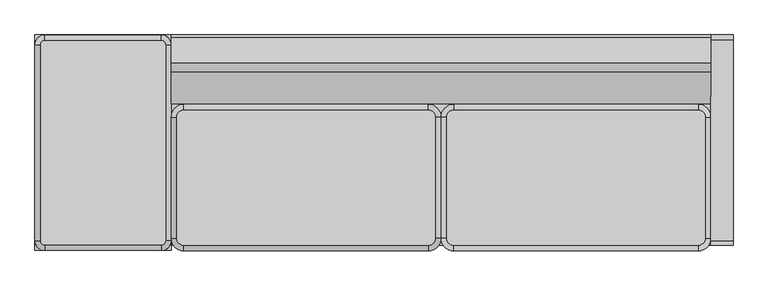
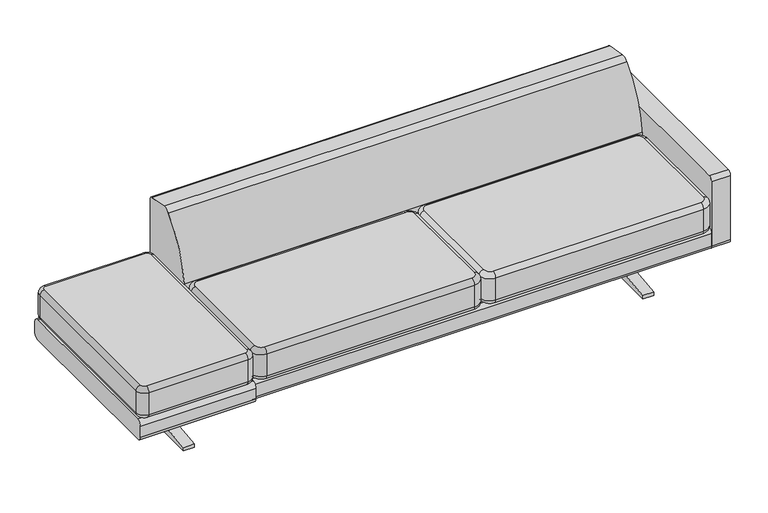
"""IFC4 building model written with IfcOpenShell, lengths in millimetres: furniture geometry."""

from ifc_helpers import new_model, si_unit, point, frame, frame_2d, origin, place, context, project, spatial, polyline, circle_curve, ellipse_curve, trimmed, segment, composite_curve, outline, extrude, source, transform, mapped, element, save
from ifc_brep_helpers import plane_surface, cylinder_surface, revolved_surface, advanced_brep


def furniture_da704d44(model_context):
    return source(origin(), model_context, "Body", "SolidModel", [
        extrude(outline(composite_curve([segment(polyline([(355.0969754, 0.0), (0.0, 0.0), (-355.0969754, 0.0), (-355.0969754, 16.2401822), (-121.6204743, 42.7918602)]), True, "CONTINUOUS"), segment(trimmed(circle_curve(frame_2d((-121.6204743, 71.7339548)), 28.9420946), [point((-121.6204743, 42.7918602))], [point((-92.6783797, 71.7339548))], True, "CARTESIAN"), True, "CONTINUOUS"), segment(polyline([(-92.6783797, 71.7339548), (-92.6783797, 136.8214548)]), True, "CONTINUOUS"), segment(trimmed(circle_curve(frame_2d((-121.6204743, 136.8214548)), 28.9420946), [point((-92.6783797, 136.8214548))], [point((-121.6204743, 165.7635494))], True, "CARTESIAN"), True, "CONTINUOUS"), segment(polyline([(-121.6204743, 165.7635494), (-171.499025, 165.7635494), (-171.499025, 178.564682), (-68.1000311, 178.564682), (-68.1000311, 70.7911959)]), True, "CONTINUOUS"), segment(trimmed(circle_curve(frame_2d((-39.1732953, 71.7339548)), 28.9420946), [point((-68.1000311, 70.7911959))], [point((-39.1732953, 42.7918602))], True, "CARTESIAN"), True, "CONTINUOUS"), segment(polyline([(-39.1732953, 42.7918602), (0.0, 42.7918602), (39.1732953, 42.7918602)]), True, "CONTINUOUS"), segment(trimmed(circle_curve(frame_2d((39.1732953, 71.7339548)), 28.9420946), [point((39.1732953, 42.7918602))], [point((68.1000311, 70.7911959))], True, "CARTESIAN"), True, "CONTINUOUS"), segment(polyline([(68.1000311, 70.7911959), (68.1000311, 178.564682), (171.499025, 178.564682), (171.499025, 165.7635494), (121.6204743, 165.7635494)]), True, "CONTINUOUS"), segment(trimmed(circle_curve(frame_2d((121.6204743, 136.8214548)), 28.9420946), [point((121.6204743, 165.7635494))], [point((92.6783797, 136.8214548))], True, "CARTESIAN"), True, "CONTINUOUS"), segment(polyline([(92.6783797, 136.8214548), (92.6783797, 71.7339548)]), True, "CONTINUOUS"), segment(trimmed(circle_curve(frame_2d((121.6204743, 71.7339548)), 28.9420946), [point((92.6783797, 71.7339548))], [point((121.6204743, 42.7918602))], True, "CARTESIAN"), True, "CONTINUOUS"), segment(polyline([(121.6204743, 42.7918602), (355.0969754, 16.2401822), (355.0969754, 0.0)]), True, "CONTINUOUS")], self_intersect=False)), frame((-1381.125, 0.0, 0.0), z_axis=(1.0, 0.0, 0.0), x_axis=(0.0, 1.0, 0.0)), (0.0, 0.0, 1.0), 50.8),
        extrude(outline(composite_curve([segment(polyline([(431.8, 255.5866716), (431.8, 201.4772538)]), True, "CONTINUOUS"), segment(trimmed(circle_curve(frame_2d((408.8874282, 201.4772538)), 22.9125718), [point((431.8, 201.4772538))], [point((408.8874282, 178.564682))], False, "CARTESIAN"), True, "CONTINUOUS"), segment(polyline([(408.8874282, 178.564682), (-408.8874282, 178.564682)]), True, "CONTINUOUS"), segment(trimmed(circle_curve(frame_2d((-408.8874282, 201.4772538)), 22.9125718), [point((-408.8874282, 178.564682))], [point((-431.8, 201.4772538))], False, "CARTESIAN"), True, "CONTINUOUS"), segment(polyline([(-431.8, 201.4772538), (-431.8, 255.5866716)]), True, "CONTINUOUS"), segment(trimmed(circle_curve(frame_2d((-408.8874282, 255.5866716)), 22.9125718), [point((-431.8, 255.5866716))], [point((-408.8874282, 278.4992435))], False, "CARTESIAN"), True, "CONTINUOUS"), segment(polyline([(-408.8874282, 278.4992435), (408.8874282, 278.4992435)]), True, "CONTINUOUS"), segment(trimmed(circle_curve(frame_2d((408.8874282, 255.5866716)), 22.9125718), [point((408.8874282, 278.4992435))], [point((431.8, 255.5866716))], False, "CARTESIAN"), True, "CONTINUOUS")], self_intersect=False)), frame((-1628.775, 0.0, 0.0), z_axis=(1.0, 0.0, 0.0), x_axis=(0.0, 1.0, 0.0)), (0.0, 0.0, 1.0), 546.1),
        advanced_brep(
        [(-1104.9123254, 392.2982568, 432.564682), (-1121.5014968, 408.8874282, 432.564682), (-1589.6640863, 408.8874282, 432.564682), (-1606.2532577, 392.2982568, 432.564682), (-1606.2532577, -393.6409654, 432.564682), (-1589.6640863, -410.2301368, 432.564682), (-1121.5014968, -410.2301368, 432.564682), (-1104.9123254, -393.6409654, 432.564682), (-1121.5014968, 408.8874282, 278.2017207), (-1104.9123254, 392.2982568, 278.2017207), (-1104.9123254, -393.6409654, 278.2017207), (-1121.5014968, -410.2301368, 278.2017207), (-1589.6640863, -410.2301368, 278.2017207), (-1606.2532577, -393.6409654, 278.2017207), (-1606.2532577, 392.2982568, 278.2017207), (-1589.6640863, 408.8874282, 278.2017207), (-1589.6640863, 408.8874282, 278.4992435), (-1121.5014968, 408.8874282, 278.4992435), (-1606.2532577, 392.2982568, 278.4992435), (-1606.2532577, -393.6409654, 278.4992435), (-1589.6640863, -410.2301368, 278.4992435), (-1121.5014968, -410.2301368, 278.4992435), (-1104.9123254, -393.6409654, 278.4992435), (-1104.9123254, 392.2982568, 278.4992435), (-1121.5014968, 431.3380685, 300.9498838), (-1082.4616851, 392.2982568, 300.9498838), (-1121.5014968, 431.3380685, 410.1140417), (-1082.4616851, 392.2982568, 410.1140417), (-1589.6640863, 431.3380685, 300.9498838), (-1589.6640863, 431.3380685, 410.1140417), (-1628.703898, 392.2982568, 300.9498838), (-1628.703898, 392.2982568, 410.1140417), (-1628.703898, -393.6409654, 300.9498838), (-1628.703898, -393.6409654, 410.1140417), (-1589.6640863, -432.6807771, 300.9498838), (-1589.6640863, -432.6807771, 410.1140417), (-1121.5014968, -432.6807771, 300.9498838), (-1121.5014968, -432.6807771, 410.1140417), (-1082.4616851, -393.6409654, 300.9498838), (-1082.4616851, -393.6409654, 410.1140417)],
        [
            (0, 1, circle_curve(frame((-1121.5014968, 392.2982568, 432.564682), z_axis=(0.0, 0.0, 1.0), x_axis=(1.0, 0.0, 0.0)), 16.5891714)),
            (1, 2),
            (2, 3, circle_curve(frame((-1589.6640863, 392.2982568, 432.564682), z_axis=(0.0, 0.0, 1.0), x_axis=(0.0, 1.0, 0.0)), 16.5891714)),
            (3, 4),
            (4, 5, circle_curve(frame((-1589.6640863, -393.6409654, 432.564682), z_axis=(0.0, 0.0, 1.0), x_axis=(-1.0, 0.0, 0.0)), 16.5891714)),
            (5, 6),
            (6, 7, circle_curve(frame((-1121.5014968, -393.6409654, 432.564682), z_axis=(0.0, 0.0, 1.0), x_axis=(0.0, -1.0, 0.0)), 16.5891714)),
            (7, 0),
            (8, 9, circle_curve(frame((-1121.5014968, 392.2982568, 278.2017207), z_axis=(0.0, 0.0, -1.0), x_axis=(1.0, 0.0, 0.0)), 16.5891714)),
            (9, 10),
            (10, 11, circle_curve(frame((-1121.5014968, -393.6409654, 278.2017207), z_axis=(0.0, 0.0, -1.0), x_axis=(1.0, 0.0, 0.0)), 16.5891714)),
            (11, 12),
            (12, 13, circle_curve(frame((-1589.6640863, -393.6409654, 278.2017207), z_axis=(0.0, 0.0, -1.0), x_axis=(1.0, 0.0, 0.0)), 16.5891714)),
            (13, 14),
            (14, 15, circle_curve(frame((-1589.6640863, 392.2982568, 278.2017207), z_axis=(0.0, 0.0, -1.0), x_axis=(1.0, 0.0, 0.0)), 16.5891714)),
            (15, 8),
            (15, 16),
            (16, 17),
            (17, 8),
            (14, 18),
            (18, 16, circle_curve(frame((-1589.6640863, 392.2982568, 278.4992435), z_axis=(0.0, 0.0, -1.0), x_axis=(1.0, 0.0, 0.0)), 16.5891714)),
            (13, 19),
            (19, 18),
            (12, 20),
            (20, 19, circle_curve(frame((-1589.6640863, -393.6409654, 278.4992435), z_axis=(0.0, 0.0, -1.0), x_axis=(1.0, 0.0, 0.0)), 16.5891714)),
            (11, 21),
            (21, 20),
            (10, 22),
            (22, 21, circle_curve(frame((-1121.5014968, -393.6409654, 278.4992435), z_axis=(0.0, 0.0, -1.0), x_axis=(1.0, 0.0, 0.0)), 16.5891714)),
            (9, 23),
            (23, 22),
            (17, 23, circle_curve(frame((-1121.5014968, 392.2982568, 278.4992435), z_axis=(0.0, 0.0, -1.0), x_axis=(1.0, 0.0, 0.0)), 16.5891714)),
            (24, 25, circle_curve(frame((-1121.5014968, 392.2982568, 300.9498838), z_axis=(0.0, 0.0, -1.0), x_axis=(1.0, 0.0, 0.0)), 39.0398117)),
            (25, 23, circle_curve(frame((-1104.9123254, 392.2982568, 300.9498838), z_axis=(0.0, 1.0, 0.0), x_axis=(-1.0, 0.0, 0.0)), 22.4506403)),
            (17, 24, circle_curve(frame((-1121.5014968, 408.8874282, 300.9498838), z_axis=(1.0, 0.0, 0.0), x_axis=(0.0, -1.0, 0.0)), 22.4506403)),
            (24, 26),
            (26, 27, circle_curve(frame((-1121.5014968, 392.2982568, 410.1140417), z_axis=(0.0, 0.0, -1.0), x_axis=(1.0, 0.0, 0.0)), 39.0398117)),
            (27, 25),
            (26, 1, circle_curve(frame((-1121.5014968, 408.8874282, 410.1140417), z_axis=(1.0, 0.0, 0.0), x_axis=(0.0, -1.0, 0.0)), 22.4506403)),
            (0, 27, circle_curve(frame((-1104.9123254, 392.2982568, 410.1140417), z_axis=(0.0, 1.0, 0.0), x_axis=(-1.0, 0.0, 0.0)), 22.4506403)),
            (16, 28, circle_curve(frame((-1589.6640863, 408.8874282, 300.9498838), z_axis=(1.0, 0.0, 0.0), x_axis=(0.0, -1.0, 0.0)), 22.4506403)),
            (28, 24),
            (28, 29),
            (29, 26),
            (29, 2, circle_curve(frame((-1589.6640863, 408.8874282, 410.1140417), z_axis=(1.0, 0.0, 0.0), x_axis=(0.0, -1.0, 0.0)), 22.4506403)),
            (18, 30, circle_curve(frame((-1606.2532577, 392.2982568, 300.9498838), z_axis=(0.0, 1.0, 0.0), x_axis=(1.0, 0.0, 0.0)), 22.4506403)),
            (30, 28, circle_curve(frame((-1589.6640863, 392.2982568, 300.9498838), z_axis=(0.0, 0.0, -1.0), x_axis=(0.0, 1.0, 0.0)), 39.0398117)),
            (30, 31),
            (31, 29, circle_curve(frame((-1589.6640863, 392.2982568, 410.1140417), z_axis=(0.0, 0.0, -1.0), x_axis=(0.0, 1.0, 0.0)), 39.0398117)),
            (31, 3, circle_curve(frame((-1606.2532577, 392.2982568, 410.1140417), z_axis=(0.0, 1.0, 0.0), x_axis=(1.0, 0.0, 0.0)), 22.4506403)),
            (19, 32, circle_curve(frame((-1606.2532577, -393.6409654, 300.9498838), z_axis=(0.0, 1.0, 0.0), x_axis=(1.0, 0.0, 0.0)), 22.4506403)),
            (32, 30),
            (32, 33),
            (33, 31),
            (33, 4, circle_curve(frame((-1606.2532577, -393.6409654, 410.1140417), z_axis=(0.0, 1.0, 0.0), x_axis=(1.0, 0.0, 0.0)), 22.4506403)),
            (20, 34, circle_curve(frame((-1589.6640863, -410.2301368, 300.9498838), z_axis=(-1.0, 0.0, 0.0), x_axis=(0.0, 1.0, 0.0)), 22.4506403)),
            (34, 32, circle_curve(frame((-1589.6640863, -393.6409654, 300.9498838), z_axis=(0.0, 0.0, -1.0), x_axis=(-1.0, 0.0, 0.0)), 39.0398117)),
            (34, 35),
            (35, 33, circle_curve(frame((-1589.6640863, -393.6409654, 410.1140417), z_axis=(0.0, 0.0, -1.0), x_axis=(-1.0, 0.0, 0.0)), 39.0398117)),
            (35, 5, circle_curve(frame((-1589.6640863, -410.2301368, 410.1140417), z_axis=(-1.0, 0.0, 0.0), x_axis=(0.0, 1.0, 0.0)), 22.4506403)),
            (21, 36, circle_curve(frame((-1121.5014968, -410.2301368, 300.9498838), z_axis=(-1.0, 0.0, 0.0), x_axis=(0.0, 1.0, 0.0)), 22.4506403)),
            (36, 34),
            (36, 37),
            (37, 35),
            (37, 6, circle_curve(frame((-1121.5014968, -410.2301368, 410.1140417), z_axis=(-1.0, 0.0, 0.0), x_axis=(0.0, 1.0, 0.0)), 22.4506403)),
            (22, 38, circle_curve(frame((-1104.9123254, -393.6409654, 300.9498838), z_axis=(0.0, -1.0, 0.0), x_axis=(-1.0, 0.0, 0.0)), 22.4506403)),
            (38, 36, circle_curve(frame((-1121.5014968, -393.6409654, 300.9498838), z_axis=(0.0, 0.0, -1.0), x_axis=(0.0, -1.0, 0.0)), 39.0398117)),
            (38, 39),
            (39, 37, circle_curve(frame((-1121.5014968, -393.6409654, 410.1140417), z_axis=(0.0, 0.0, -1.0), x_axis=(0.0, -1.0, 0.0)), 39.0398117)),
            (39, 7, circle_curve(frame((-1104.9123254, -393.6409654, 410.1140417), z_axis=(0.0, -1.0, 0.0), x_axis=(-1.0, 0.0, 0.0)), 22.4506403)),
            (25, 38),
            (27, 39),
        ],
        [
            plane_surface(frame((-1589.6640863, 408.8874282, 432.564682), z_axis=(0.0, 0.0, 1.0), x_axis=(-1.0, 0.0, 0.0))),
            plane_surface(frame((-1589.6640863, 408.8874282, 278.2017207), z_axis=(0.0, 0.0, -1.0), x_axis=(1.0, 0.0, 0.0))),
            plane_surface(frame((-1121.5014968, 408.8874282, 432.564682), z_axis=(0.0, 1.0, 0.0), x_axis=(0.0, 0.0, -1.0))),
            cylinder_surface(frame((-1589.6640863, 392.2982568, 278.2017207), z_axis=(0.0, 0.0, 1.0), x_axis=(1.0, 0.0, 0.0)), 16.5891714),
            plane_surface(frame((-1606.2532577, 392.2982568, 432.564682), z_axis=(-1.0, 0.0, 0.0), x_axis=(0.0, 0.0, -1.0))),
            cylinder_surface(frame((-1589.6640863, -393.6409654, 278.2017207), z_axis=(0.0, 0.0, 1.0), x_axis=(1.0, 0.0, 0.0)), 16.5891714),
            plane_surface(frame((-1589.6640863, -410.2301368, 432.564682), z_axis=(0.0, -1.0, 0.0), x_axis=(0.0, 0.0, -1.0))),
            cylinder_surface(frame((-1121.5014968, -393.6409654, 278.2017207), z_axis=(0.0, 0.0, 1.0), x_axis=(1.0, 0.0, 0.0)), 16.5891714),
            plane_surface(frame((-1104.9123254, -393.6409654, 432.564682), z_axis=(1.0, 0.0, 0.0), x_axis=(0.0, 0.0, -1.0))),
            cylinder_surface(frame((-1121.5014968, 392.2982568, 278.2017207), z_axis=(0.0, 0.0, 1.0), x_axis=(1.0, 0.0, 0.0)), 16.5891714),
            revolved_surface(trimmed(ellipse_curve(frame((-1104.9123254, 392.2982568, 300.9498838), z_axis=(0.0, -1.0, 0.0), x_axis=(-1.0, 0.0, 0.0)), 22.4506403, 22.4506403), [point((-1104.9123254, 392.2982568, 278.4992435))], [point((-1082.4616851, 392.2982568, 300.9498838))], True, "CARTESIAN"), (-1121.5014968, 392.2982568, 432.564682), (0.0, 0.0, 1.0)),
            cylinder_surface(frame((-1121.5014968, 392.2982568, 432.564682), z_axis=(0.0, 0.0, 1.0), x_axis=(1.0, 0.0, 0.0)), 39.0398117),
            revolved_surface(trimmed(ellipse_curve(frame((-1104.9123254, 392.2982568, 410.1140417), z_axis=(0.0, -1.0, 0.0), x_axis=(-1.0, 0.0, 0.0)), 22.4506403, 22.4506403), [point((-1082.4616851, 392.2982568, 410.1140417))], [point((-1104.9123254, 392.2982568, 432.564682))], True, "CARTESIAN"), (-1121.5014968, 392.2982568, 432.564682), (0.0, 0.0, 1.0)),
            cylinder_surface(frame((-1121.5014968, 408.8874282, 300.9498838), z_axis=(1.0, 0.0, 0.0), x_axis=(0.0, -1.0, 0.0)), 22.4506403),
            plane_surface(frame((-1121.5014968, 431.3380685, 300.9498838), z_axis=(0.0, 1.0, 0.0), x_axis=(-1.0, 0.0, 0.0))),
            cylinder_surface(frame((-1121.5014968, 408.8874282, 410.1140417), z_axis=(1.0, 0.0, 0.0), x_axis=(0.0, -1.0, 0.0)), 22.4506403),
            revolved_surface(trimmed(ellipse_curve(frame((-1589.6640863, 408.8874282, 300.9498838), z_axis=(1.0, 0.0, 0.0), x_axis=(0.0, -1.0, 0.0)), 22.4506403, 22.4506403), [point((-1589.6640863, 408.8874282, 278.4992435))], [point((-1589.6640863, 431.3380685, 300.9498838))], True, "CARTESIAN"), (-1589.6640863, 392.2982568, 432.564682), (0.0, 0.0, 1.0)),
            cylinder_surface(frame((-1589.6640863, 392.2982568, 432.564682), z_axis=(0.0, 0.0, 1.0), x_axis=(0.0, 1.0, 0.0)), 39.0398117),
            revolved_surface(trimmed(ellipse_curve(frame((-1589.6640863, 408.8874282, 410.1140417), z_axis=(1.0, 0.0, 0.0), x_axis=(0.0, -1.0, 0.0)), 22.4506403, 22.4506403), [point((-1589.6640863, 431.3380685, 410.1140417))], [point((-1589.6640863, 408.8874282, 432.564682))], True, "CARTESIAN"), (-1589.6640863, 392.2982568, 432.564682), (0.0, 0.0, 1.0)),
            cylinder_surface(frame((-1606.2532577, 392.2982568, 300.9498838), z_axis=(0.0, 1.0, 0.0), x_axis=(1.0, 0.0, 0.0)), 22.4506403),
            plane_surface(frame((-1628.703898, 392.2982568, 300.9498838), z_axis=(-1.0, 0.0, 0.0), x_axis=(0.0, -1.0, 0.0))),
            cylinder_surface(frame((-1606.2532577, 392.2982568, 410.1140417), z_axis=(0.0, 1.0, 0.0), x_axis=(1.0, 0.0, 0.0)), 22.4506403),
            revolved_surface(trimmed(ellipse_curve(frame((-1606.2532577, -393.6409654, 300.9498838), z_axis=(0.0, 1.0, 0.0), x_axis=(1.0, 0.0, 0.0)), 22.4506403, 22.4506403), [point((-1606.2532577, -393.6409654, 278.4992435))], [point((-1628.703898, -393.6409654, 300.9498838))], True, "CARTESIAN"), (-1589.6640863, -393.6409654, 432.564682), (0.0, 0.0, 1.0)),
            cylinder_surface(frame((-1589.6640863, -393.6409654, 432.564682), z_axis=(0.0, 0.0, 1.0), x_axis=(-1.0, 0.0, 0.0)), 39.0398117),
            revolved_surface(trimmed(ellipse_curve(frame((-1606.2532577, -393.6409654, 410.1140417), z_axis=(0.0, 1.0, 0.0), x_axis=(1.0, 0.0, 0.0)), 22.4506403, 22.4506403), [point((-1628.703898, -393.6409654, 410.1140417))], [point((-1606.2532577, -393.6409654, 432.564682))], True, "CARTESIAN"), (-1589.6640863, -393.6409654, 432.564682), (0.0, 0.0, 1.0)),
            cylinder_surface(frame((-1589.6640863, -410.2301368, 300.9498838), z_axis=(-1.0, 0.0, 0.0), x_axis=(0.0, 1.0, 0.0)), 22.4506403),
            plane_surface(frame((-1589.6640863, -432.6807771, 300.9498838), z_axis=(0.0, -1.0, 0.0), x_axis=(1.0, 0.0, 0.0))),
            cylinder_surface(frame((-1589.6640863, -410.2301368, 410.1140417), z_axis=(-1.0, 0.0, 0.0), x_axis=(0.0, 1.0, 0.0)), 22.4506403),
            revolved_surface(trimmed(ellipse_curve(frame((-1121.5014968, -410.2301368, 300.9498838), z_axis=(-1.0, 0.0, 0.0), x_axis=(0.0, 1.0, 0.0)), 22.4506403, 22.4506403), [point((-1121.5014968, -410.2301368, 278.4992435))], [point((-1121.5014968, -432.6807771, 300.9498838))], True, "CARTESIAN"), (-1121.5014968, -393.6409654, 432.564682), (0.0, 0.0, 1.0)),
            cylinder_surface(frame((-1121.5014968, -393.6409654, 432.564682), z_axis=(0.0, 0.0, 1.0), x_axis=(0.0, -1.0, 0.0)), 39.0398117),
            revolved_surface(trimmed(ellipse_curve(frame((-1121.5014968, -410.2301368, 410.1140417), z_axis=(-1.0, 0.0, 0.0), x_axis=(0.0, 1.0, 0.0)), 22.4506403, 22.4506403), [point((-1121.5014968, -432.6807771, 410.1140417))], [point((-1121.5014968, -410.2301368, 432.564682))], True, "CARTESIAN"), (-1121.5014968, -393.6409654, 432.564682), (0.0, 0.0, 1.0)),
            cylinder_surface(frame((-1104.9123254, -393.6409654, 300.9498838), z_axis=(0.0, -1.0, 0.0), x_axis=(-1.0, 0.0, 0.0)), 22.4506403),
            plane_surface(frame((-1082.4616851, -393.6409654, 300.9498838), z_axis=(1.0, 0.0, 0.0), x_axis=(0.0, 1.0, 0.0))),
            cylinder_surface(frame((-1104.9123254, -393.6409654, 410.1140417), z_axis=(0.0, -1.0, 0.0), x_axis=(-1.0, 0.0, 0.0)), 22.4506403),
        ],
        [
            (0, [[1, 2, 3, 4, 5, 6, 7, 8]]),
            (1, [[9, 10, 11, 12, 13, 14, 15, 16]]),
            (2, [[-16, 17, 18, 19]]),
            (3, [[-15, 20, 21, -17]]),
            (4, [[-14, 22, 23, -20]]),
            (5, [[-13, 24, 25, -22]]),
            (6, [[-12, 26, 27, -24]]),
            (7, [[-11, 28, 29, -26]]),
            (8, [[-10, 30, 31, -28]]),
            (9, [[-9, -19, 32, -30]]),
            (10, [[33, 34, -32, 35]]),
            (11, [[-33, 36, 37, 38]]),
            (12, [[-37, 39, -1, 40]]),
            (13, [[-35, -18, 41, 42]]),
            (14, [[-36, -42, 43, 44]]),
            (15, [[-39, -44, 45, -2]]),
            (16, [[-41, -21, 46, 47]]),
            (17, [[-43, -47, 48, 49]]),
            (18, [[-45, -49, 50, -3]]),
            (19, [[-46, -23, 51, 52]]),
            (20, [[-48, -52, 53, 54]]),
            (21, [[-50, -54, 55, -4]]),
            (22, [[-51, -25, 56, 57]]),
            (23, [[-53, -57, 58, 59]]),
            (24, [[-55, -59, 60, -5]]),
            (25, [[-56, -27, 61, 62]]),
            (26, [[-58, -62, 63, 64]]),
            (27, [[-60, -64, 65, -6]]),
            (28, [[-61, -29, 66, 67]]),
            (29, [[-63, -67, 68, 69]]),
            (30, [[-65, -69, 70, -7]]),
            (31, [[-34, 71, -66, -31]]),
            (32, [[-38, 72, -68, -71]]),
            (33, [[-40, -8, -70, -72]]),
        ],
    ),
        extrude(outline(composite_curve([segment(polyline([(355.0969754, 0.0), (0.0, 0.0), (-355.0969754, 0.0), (-355.0969754, 16.2401822), (-121.6204743, 42.7918602)]), True, "CONTINUOUS"), segment(trimmed(circle_curve(frame_2d((-121.6204743, 71.7339548)), 28.9420946), [point((-121.6204743, 42.7918602))], [point((-92.6783797, 71.7339548))], True, "CARTESIAN"), True, "CONTINUOUS"), segment(polyline([(-92.6783797, 71.7339548), (-92.6783797, 136.8214548)]), True, "CONTINUOUS"), segment(trimmed(circle_curve(frame_2d((-121.6204743, 136.8214548)), 28.9420946), [point((-92.6783797, 136.8214548))], [point((-121.6204743, 165.7635494))], True, "CARTESIAN"), True, "CONTINUOUS"), segment(polyline([(-121.6204743, 165.7635494), (-171.499025, 165.7635494), (-171.499025, 178.564682), (-68.1000311, 178.564682), (-68.1000311, 70.7911959)]), True, "CONTINUOUS"), segment(trimmed(circle_curve(frame_2d((-39.1732953, 71.7339548)), 28.9420946), [point((-68.1000311, 70.7911959))], [point((-39.1732953, 42.7918602))], True, "CARTESIAN"), True, "CONTINUOUS"), segment(polyline([(-39.1732953, 42.7918602), (0.0, 42.7918602), (39.1732953, 42.7918602)]), True, "CONTINUOUS"), segment(trimmed(circle_curve(frame_2d((39.1732953, 71.7339548)), 28.9420946), [point((39.1732953, 42.7918602))], [point((68.1000311, 70.7911959))], True, "CARTESIAN"), True, "CONTINUOUS"), segment(polyline([(68.1000311, 70.7911959), (68.1000311, 178.564682), (171.499025, 178.564682), (171.499025, 165.7635494), (121.6204743, 165.7635494)]), True, "CONTINUOUS"), segment(trimmed(circle_curve(frame_2d((121.6204743, 136.8214548)), 28.9420946), [point((121.6204743, 165.7635494))], [point((92.6783797, 136.8214548))], True, "CARTESIAN"), True, "CONTINUOUS"), segment(polyline([(92.6783797, 136.8214548), (92.6783797, 71.7339548)]), True, "CONTINUOUS"), segment(trimmed(circle_curve(frame_2d((121.6204743, 71.7339548)), 28.9420946), [point((92.6783797, 71.7339548))], [point((121.6204743, 42.7918602))], True, "CARTESIAN"), True, "CONTINUOUS"), segment(polyline([(121.6204743, 42.7918602), (355.0969754, 16.2401822), (355.0969754, 0.0)]), True, "CONTINUOUS")], self_intersect=False)), frame((790.575, 0.0, 0.0), z_axis=(1.0, 0.0, 0.0), x_axis=(0.0, 1.0, 0.0)), (0.0, 0.0, 1.0), 50.8),
        advanced_brep(
        [(-50.8266069, -411.5334579, 278.4992435), (-1031.4754884, -411.5334579, 278.4992435), (-1059.8495624, -383.1593839, 278.4992435), (-1059.8495624, 102.2194566, 278.4992435), (-1031.4754884, 130.5935359, 278.4992435), (-50.8266069, 130.5935359, 278.4992435), (-22.4525329, 102.2194619, 278.4992435), (-22.4525329, -383.1593785, 278.4992435), (-1031.4754884, -411.5334579, 432.564682), (-50.8266069, -411.5334579, 432.564682), (-22.4525329, -383.1593839, 432.564682), (-22.4525329, 102.2194619, 432.564682), (-50.826619, 130.5935359, 432.564682), (-1031.4754884, 130.5935359, 432.564682), (-1059.8495624, 102.2194619, 432.564682), (-1059.8495624, -383.1593839, 432.564682), (-1031.4754884, -433.9840982, 300.9498838), (-50.8266069, -433.9840982, 300.9498838), (-50.8266069, -433.9840982, 410.1140417), (-1031.4754884, -433.9840982, 410.1140417), (-0.0018926, -383.1593839, 300.9498838), (-0.0018926, -383.1593839, 410.1140417), (-0.0018926, 102.2194619, 300.9498838), (-0.0018926, 102.2194619, 410.1140417), (-50.8266069, 153.0441762, 300.9498838), (-50.8266069, 153.0441762, 410.1140417), (-1031.4754884, 153.0441762, 300.9498838), (-1031.4754884, 153.0441762, 410.1140417), (-1082.3002027, 102.2194619, 300.9498838), (-1082.3002027, 102.2194619, 410.1140417), (-1082.3002027, -383.1593839, 300.9498838), (-1082.3002027, -383.1593839, 410.1140417)],
        [
            (0, 1),
            (1, 2, circle_curve(frame((-1031.4754884, -383.1593839, 278.4992435), z_axis=(0.0, 0.0, -1.0), x_axis=(-1.0, 0.0, 0.0)), 28.374074)),
            (2, 3),
            (3, 4, circle_curve(frame((-1031.4754884, 102.2194619, 278.4992435), z_axis=(0.0, 0.0, -1.0), x_axis=(0.0, 1.0, 0.0)), 28.374074)),
            (4, 5),
            (5, 6, circle_curve(frame((-50.8266069, 102.2194619, 278.4992435), z_axis=(0.0, 0.0, -1.0), x_axis=(1.0, 0.0, 0.0)), 28.374074)),
            (6, 7),
            (7, 0, circle_curve(frame((-50.8266069, -383.1593839, 278.4992435), z_axis=(0.0, 0.0, -1.0), x_axis=(0.0, -1.0, 0.0)), 28.374074)),
            (8, 9),
            (9, 10, circle_curve(frame((-50.8266069, -383.1593839, 432.564682), z_axis=(0.0, 0.0, 1.0), x_axis=(0.0, -1.0, 0.0)), 28.374074)),
            (10, 11),
            (11, 12, circle_curve(frame((-50.8266069, 102.2194619, 432.564682), z_axis=(0.0, 0.0, 1.0), x_axis=(1.0, 0.0, 0.0)), 28.374074)),
            (12, 13),
            (13, 14, circle_curve(frame((-1031.4754884, 102.2194619, 432.564682), z_axis=(0.0, 0.0, 1.0), x_axis=(0.0, 1.0, 0.0)), 28.374074)),
            (14, 15),
            (15, 8, circle_curve(frame((-1031.4754884, -383.1593839, 432.564682), z_axis=(0.0, 0.0, 1.0), x_axis=(-1.0, 0.0, 0.0)), 28.374074)),
            (16, 1, circle_curve(frame((-1031.4754884, -411.5334579, 300.9498838), z_axis=(1.0, 0.0, 0.0), x_axis=(0.0, 1.0, 0.0)), 22.4506403)),
            (0, 17, circle_curve(frame((-50.8266069, -411.5334579, 300.9498838), z_axis=(-1.0, 0.0, 0.0), x_axis=(0.0, 1.0, 0.0)), 22.4506403)),
            (17, 16),
            (17, 18),
            (18, 19),
            (19, 16),
            (18, 9, circle_curve(frame((-50.8266069, -411.5334579, 410.1140417), z_axis=(-1.0, 0.0, 0.0), x_axis=(0.0, 1.0, 0.0)), 22.4506403)),
            (8, 19, circle_curve(frame((-1031.4754884, -411.5334579, 410.1140417), z_axis=(1.0, 0.0, 0.0), x_axis=(0.0, 1.0, 0.0)), 22.4506403)),
            (7, 20, circle_curve(frame((-22.4525329, -383.1593839, 300.9498838), z_axis=(0.0, -1.0, 0.0), x_axis=(-1.0, 0.0, 0.0)), 22.4506403)),
            (20, 17, circle_curve(frame((-50.8266069, -383.1593839, 300.9498838), z_axis=(0.0, 0.0, -1.0), x_axis=(0.0, -1.0, 0.0)), 50.8247143)),
            (20, 21),
            (21, 18, circle_curve(frame((-50.8266069, -383.1593839, 410.1140417), z_axis=(0.0, 0.0, -1.0), x_axis=(0.0, -1.0, 0.0)), 50.8247143)),
            (21, 10, circle_curve(frame((-22.4525329, -383.1593839, 410.1140417), z_axis=(0.0, -1.0, 0.0), x_axis=(-1.0, 0.0, 0.0)), 22.4506403)),
            (6, 22, circle_curve(frame((-22.4525329, 102.2194619, 300.9498838), z_axis=(0.0, -1.0, 0.0), x_axis=(-1.0, 0.0, 0.0)), 22.4506403)),
            (22, 20),
            (22, 23),
            (23, 21),
            (23, 11, circle_curve(frame((-22.4525329, 102.2194619, 410.1140417), z_axis=(0.0, -1.0, 0.0), x_axis=(-1.0, 0.0, 0.0)), 22.4506403)),
            (5, 24, circle_curve(frame((-50.8266069, 130.5935359, 300.9498838), z_axis=(1.0, 0.0, 0.0), x_axis=(0.0, -1.0, 0.0)), 22.4506403)),
            (24, 22, circle_curve(frame((-50.8266069, 102.2194619, 300.9498838), z_axis=(0.0, 0.0, -1.0), x_axis=(1.0, 0.0, 0.0)), 50.8247143)),
            (24, 25),
            (25, 23, circle_curve(frame((-50.8266069, 102.2194619, 410.1140417), z_axis=(0.0, 0.0, -1.0), x_axis=(1.0, 0.0, 0.0)), 50.8247143)),
            (25, 12, circle_curve(frame((-50.8266069, 130.5935359, 410.1140417), z_axis=(1.0, 0.0, 0.0), x_axis=(0.0, -1.0, 0.0)), 22.4506403)),
            (4, 26, circle_curve(frame((-1031.4754884, 130.5935359, 300.9498838), z_axis=(1.0, 0.0, 0.0), x_axis=(0.0, -1.0, 0.0)), 22.4506403)),
            (26, 24),
            (26, 27),
            (27, 25),
            (27, 13, circle_curve(frame((-1031.4754884, 130.5935359, 410.1140417), z_axis=(1.0, 0.0, 0.0), x_axis=(0.0, -1.0, 0.0)), 22.4506403)),
            (3, 28, circle_curve(frame((-1059.8495624, 102.2194619, 300.9498838), z_axis=(0.0, 1.0, 0.0), x_axis=(1.0, 0.0, 0.0)), 22.4506403)),
            (28, 26, circle_curve(frame((-1031.4754884, 102.2194619, 300.9498838), z_axis=(0.0, 0.0, -1.0), x_axis=(0.0, 1.0, 0.0)), 50.8247143)),
            (28, 29),
            (29, 27, circle_curve(frame((-1031.4754884, 102.2194619, 410.1140417), z_axis=(0.0, 0.0, -1.0), x_axis=(0.0, 1.0, 0.0)), 50.8247143)),
            (29, 14, circle_curve(frame((-1059.8495624, 102.2194619, 410.1140417), z_axis=(0.0, 1.0, 0.0), x_axis=(1.0, 0.0, 0.0)), 22.4506403)),
            (2, 30, circle_curve(frame((-1059.8495624, -383.1593839, 300.9498838), z_axis=(0.0, 1.0, 0.0), x_axis=(1.0, 0.0, 0.0)), 22.4506403)),
            (30, 28),
            (30, 31),
            (31, 29),
            (31, 15, circle_curve(frame((-1059.8495624, -383.1593839, 410.1140417), z_axis=(0.0, 1.0, 0.0), x_axis=(1.0, 0.0, 0.0)), 22.4506403)),
            (16, 30, circle_curve(frame((-1031.4754884, -383.1593839, 300.9498838), z_axis=(0.0, 0.0, -1.0), x_axis=(-1.0, 0.0, 0.0)), 50.8247143)),
            (19, 31, circle_curve(frame((-1031.4754884, -383.1593839, 410.1140417), z_axis=(0.0, 0.0, -1.0), x_axis=(-1.0, 0.0, 0.0)), 50.8247143)),
        ],
        [
            plane_surface(frame((-1031.4754884, 130.5935359, 278.4992435), z_axis=(0.0, 0.0, -1.0), x_axis=(1.0, 0.0, 0.0))),
            plane_surface(frame((-1031.4754884, 130.5935359, 432.564682), z_axis=(0.0, 0.0, 1.0), x_axis=(-1.0, 0.0, 0.0))),
            cylinder_surface(frame((-1031.4754884, -411.5334579, 300.9498838), z_axis=(-1.0, 0.0, 0.0), x_axis=(0.0, 1.0, 0.0)), 22.4506403),
            plane_surface(frame((-1031.4754884, -433.9840982, 300.9498838), z_axis=(0.0, -1.0, 0.0), x_axis=(1.0, 0.0, 0.0))),
            cylinder_surface(frame((-1031.4754884, -411.5334579, 410.1140417), z_axis=(-1.0, 0.0, 0.0), x_axis=(0.0, 1.0, 0.0)), 22.4506403),
            revolved_surface(trimmed(ellipse_curve(frame((-50.8266069, -411.5334579, 300.9498838), z_axis=(-1.0, 0.0, 0.0), x_axis=(0.0, 1.0, 0.0)), 22.4506403, 22.4506403), [point((-50.8266069, -411.5334579, 278.4992435))], [point((-50.8266069, -433.9840982, 300.9498838))], True, "CARTESIAN"), (-50.8266069, -383.1593839, 432.564682), (0.0, 0.0, 1.0)),
            cylinder_surface(frame((-50.8266069, -383.1593839, 432.564682), z_axis=(0.0, 0.0, 1.0), x_axis=(0.0, -1.0, 0.0)), 50.8247143),
            revolved_surface(trimmed(ellipse_curve(frame((-50.8266069, -411.5334579, 410.1140417), z_axis=(-1.0, 0.0, 0.0), x_axis=(0.0, 1.0, 0.0)), 22.4506403, 22.4506403), [point((-50.8266069, -433.9840982, 410.1140417))], [point((-50.8266069, -411.5334579, 432.564682))], True, "CARTESIAN"), (-50.8266069, -383.1593839, 432.564682), (0.0, 0.0, 1.0)),
            cylinder_surface(frame((-22.4525329, -383.1593839, 300.9498838), z_axis=(0.0, -1.0, 0.0), x_axis=(-1.0, 0.0, 0.0)), 22.4506403),
            plane_surface(frame((-0.0018926, -383.1593839, 300.9498838), z_axis=(1.0, 0.0, 0.0), x_axis=(0.0, 1.0, 0.0))),
            cylinder_surface(frame((-22.4525329, -383.1593839, 410.1140417), z_axis=(0.0, -1.0, 0.0), x_axis=(-1.0, 0.0, 0.0)), 22.4506403),
            revolved_surface(trimmed(ellipse_curve(frame((-22.4525329, 102.2194619, 300.9498838), z_axis=(0.0, -1.0, 0.0), x_axis=(-1.0, 0.0, 0.0)), 22.4506403, 22.4506403), [point((-22.4525329, 102.2194619, 278.4992435))], [point((-0.0018926, 102.2194619, 300.9498838))], True, "CARTESIAN"), (-50.8266069, 102.2194619, 432.564682), (0.0, 0.0, 1.0)),
            cylinder_surface(frame((-50.8266069, 102.2194619, 432.564682), z_axis=(0.0, 0.0, 1.0), x_axis=(1.0, 0.0, 0.0)), 50.8247143),
            revolved_surface(trimmed(ellipse_curve(frame((-22.4525329, 102.2194619, 410.1140417), z_axis=(0.0, -1.0, 0.0), x_axis=(-1.0, 0.0, 0.0)), 22.4506403, 22.4506403), [point((-0.0018926, 102.2194619, 410.1140417))], [point((-22.4525329, 102.2194619, 432.564682))], True, "CARTESIAN"), (-50.8266069, 102.2194619, 432.564682), (0.0, 0.0, 1.0)),
            cylinder_surface(frame((-50.8266069, 130.5935359, 300.9498838), z_axis=(1.0, 0.0, 0.0), x_axis=(0.0, -1.0, 0.0)), 22.4506403),
            plane_surface(frame((-50.8266069, 153.0441762, 300.9498838), z_axis=(0.0, 1.0, 0.0), x_axis=(-1.0, 0.0, 0.0))),
            cylinder_surface(frame((-50.8266069, 130.5935359, 410.1140417), z_axis=(1.0, 0.0, 0.0), x_axis=(0.0, -1.0, 0.0)), 22.4506403),
            revolved_surface(trimmed(ellipse_curve(frame((-1031.4754884, 130.5935359, 300.9498838), z_axis=(1.0, 0.0, 0.0), x_axis=(0.0, -1.0, 0.0)), 22.4506403, 22.4506403), [point((-1031.4754884, 130.5935359, 278.4992435))], [point((-1031.4754884, 153.0441762, 300.9498838))], True, "CARTESIAN"), (-1031.4754884, 102.2194619, 432.564682), (0.0, 0.0, 1.0)),
            cylinder_surface(frame((-1031.4754884, 102.2194619, 432.564682), z_axis=(0.0, 0.0, 1.0), x_axis=(0.0, 1.0, 0.0)), 50.8247143),
            revolved_surface(trimmed(ellipse_curve(frame((-1031.4754884, 130.5935359, 410.1140417), z_axis=(1.0, 0.0, 0.0), x_axis=(0.0, -1.0, 0.0)), 22.4506403, 22.4506403), [point((-1031.4754884, 153.0441762, 410.1140417))], [point((-1031.4754884, 130.5935359, 432.564682))], True, "CARTESIAN"), (-1031.4754884, 102.2194619, 432.564682), (0.0, 0.0, 1.0)),
            cylinder_surface(frame((-1059.8495624, 102.2194619, 300.9498838), z_axis=(0.0, 1.0, 0.0), x_axis=(1.0, 0.0, 0.0)), 22.4506403),
            plane_surface(frame((-1082.3002027, 102.2194619, 300.9498838), z_axis=(-1.0, 0.0, 0.0), x_axis=(0.0, -1.0, 0.0))),
            cylinder_surface(frame((-1059.8495624, 102.2194619, 410.1140417), z_axis=(0.0, 1.0, 0.0), x_axis=(1.0, 0.0, 0.0)), 22.4506403),
            revolved_surface(trimmed(ellipse_curve(frame((-1059.8495624, -383.1593839, 300.9498838), z_axis=(0.0, 1.0, 0.0), x_axis=(1.0, 0.0, 0.0)), 22.4506403, 22.4506403), [point((-1059.8495624, -383.1593839, 278.4992435))], [point((-1082.3002027, -383.1593839, 300.9498838))], True, "CARTESIAN"), (-1031.4754884, -383.1593839, 432.564682), (0.0, 0.0, 1.0)),
            cylinder_surface(frame((-1031.4754884, -383.1593839, 432.564682), z_axis=(0.0, 0.0, 1.0), x_axis=(-1.0, 0.0, 0.0)), 50.8247143),
            revolved_surface(trimmed(ellipse_curve(frame((-1059.8495624, -383.1593839, 410.1140417), z_axis=(0.0, 1.0, 0.0), x_axis=(1.0, 0.0, 0.0)), 22.4506403, 22.4506403), [point((-1082.3002027, -383.1593839, 410.1140417))], [point((-1059.8495624, -383.1593839, 432.564682))], True, "CARTESIAN"), (-1031.4754884, -383.1593839, 432.564682), (0.0, 0.0, 1.0)),
        ],
        [
            (0, [[1, 2, 3, 4, 5, 6, 7, 8]]),
            (1, [[9, 10, 11, 12, 13, 14, 15, 16]]),
            (2, [[17, -1, 18, 19]]),
            (3, [[-19, 20, 21, 22]]),
            (4, [[-21, 23, -9, 24]]),
            (5, [[-18, -8, 25, 26]]),
            (6, [[-20, -26, 27, 28]]),
            (7, [[-23, -28, 29, -10]]),
            (8, [[-25, -7, 30, 31]]),
            (9, [[-27, -31, 32, 33]]),
            (10, [[-29, -33, 34, -11]]),
            (11, [[-30, -6, 35, 36]]),
            (12, [[-32, -36, 37, 38]]),
            (13, [[-34, -38, 39, -12]]),
            (14, [[-35, -5, 40, 41]]),
            (15, [[-37, -41, 42, 43]]),
            (16, [[-39, -43, 44, -13]]),
            (17, [[-40, -4, 45, 46]]),
            (18, [[-42, -46, 47, 48]]),
            (19, [[-44, -48, 49, -14]]),
            (20, [[-45, -3, 50, 51]]),
            (21, [[-47, -51, 52, 53]]),
            (22, [[-49, -53, 54, -15]]),
            (23, [[-17, 55, -50, -2]]),
            (24, [[-22, 56, -52, -55]]),
            (25, [[-24, -16, -54, -56]]),
        ],
    ),
        extrude(outline(composite_curve([segment(polyline([(431.8, 278.4992435), (204.8844187, 278.4992435)]), True, "CONTINUOUS"), segment(trimmed(circle_curve(frame_2d((204.8844187, 330.9070425)), 52.4077991), [point((204.8844187, 278.4992435))], [point((155.6371966, 312.9825196))], False, "CARTESIAN"), True, "CONTINUOUS"), segment(trimmed(circle_curve(frame_2d((731.6237418, 366.9575196)), 578.5099834), [point((155.6371966, 312.9825196))], [point((155.6371966, 420.9325196))], False, "CARTESIAN"), True, "CONTINUOUS"), segment(trimmed(circle_curve(frame_2d((606.9396763, 378.641512)), 453.2796681), [point((155.6371966, 420.9325196))], [point((284.4512428, 697.1751331))], False, "CARTESIAN"), True, "CONTINUOUS"), segment(trimmed(circle_curve(frame_2d((315.2580629, 666.7461101)), 43.3011039), [point((284.4512428, 697.1751331))], [point((319.2980572, 709.8583363))], False, "CARTESIAN"), True, "CONTINUOUS"), segment(trimmed(circle_curve(frame_2d((259.3151568, 69.7593349)), 642.9033208), [point((319.2980572, 709.8583363))], [point((421.8764201, 691.7710033))], False, "CARTESIAN"), True, "CONTINUOUS"), segment(trimmed(circle_curve(frame_2d((421.8764201, 681.8474234)), 9.9235799), [point((421.8764201, 691.7710033))], [point((431.8, 681.8474234))], False, "CARTESIAN"), True, "CONTINUOUS"), segment(polyline([(431.8, 681.8474234), (431.8, 278.4992435)]), True, "CONTINUOUS")], self_intersect=False)), frame((-1082.675, 0.0, 0.0), z_axis=(1.0, 0.0, 0.0), x_axis=(0.0, 1.0, 0.0)), (0.0, 0.0, 1.0), 2165.35),
        advanced_brep(
        [(1031.4754884, -411.5334579, 278.4992435), (50.8266069, -411.5334579, 278.4992435), (22.4525329, -383.1593839, 278.4992435), (22.4525329, 102.2194619, 278.4992435), (50.826609, 130.5935359, 278.4992435), (1031.4754884, 130.5935359, 278.4992435), (1059.8495624, 102.2194619, 278.4992435), (1059.8495624, -383.1593839, 278.4992435), (50.8266069, -411.5334579, 432.564682), (1031.4754884, -411.5334579, 432.564682), (1059.8495624, -383.1593839, 432.564682), (1059.8495624, 102.2194617, 432.564682), (1031.4754884, 130.5935359, 432.564682), (50.8266069, 130.5935359, 432.564682), (22.4525329, 102.2194619, 432.564682), (22.4525329, -383.1593843, 432.564682), (1031.4754884, -433.9840982, 300.9498838), (50.8266069, -433.9840982, 300.9498838), (1031.4754884, -433.9840982, 410.1140417), (50.8266069, -433.9840982, 410.1140417), (0.0018926, -383.1593839, 300.9498838), (0.0018926, -383.1593839, 410.1140417), (0.0018926, 102.2194619, 300.9498838), (0.0018926, 102.2194619, 410.1140417), (50.8266069, 153.0441762, 300.9498838), (50.8266069, 153.0441762, 410.1140417), (1031.4754884, 153.0441762, 300.9498838), (1031.4754884, 153.0441762, 410.1140417), (1082.3002027, 102.2194619, 300.9498838), (1082.3002027, 102.2194619, 410.1140417), (1082.3002027, -383.1593839, 300.9498838), (1082.3002027, -383.1593839, 410.1140417)],
        [
            (0, 1),
            (1, 2, circle_curve(frame((50.8266069, -383.1593839, 278.4992435), z_axis=(0.0, 0.0, -1.0), x_axis=(0.0, -1.0, 0.0)), 28.374074)),
            (2, 3),
            (3, 4, circle_curve(frame((50.8266069, 102.2194619, 278.4992435), z_axis=(0.0, 0.0, -1.0), x_axis=(-1.0, 0.0, 0.0)), 28.374074)),
            (4, 5),
            (5, 6, circle_curve(frame((1031.4754884, 102.2194619, 278.4992435), z_axis=(0.0, 0.0, -1.0), x_axis=(0.0, 1.0, 0.0)), 28.374074)),
            (6, 7),
            (7, 0, circle_curve(frame((1031.4754884, -383.1593839, 278.4992435), z_axis=(0.0, 0.0, -1.0), x_axis=(1.0, 0.0, 0.0)), 28.374074)),
            (8, 9),
            (9, 10, circle_curve(frame((1031.4754884, -383.1593839, 432.564682), z_axis=(0.0, 0.0, 1.0), x_axis=(1.0, 0.0, 0.0)), 28.374074)),
            (10, 11),
            (11, 12, circle_curve(frame((1031.4754884, 102.2194619, 432.564682), z_axis=(0.0, 0.0, 1.0), x_axis=(0.0, 1.0, 0.0)), 28.374074)),
            (12, 13),
            (13, 14, circle_curve(frame((50.8266069, 102.2194619, 432.564682), z_axis=(0.0, 0.0, 1.0), x_axis=(-1.0, 0.0, 0.0)), 28.374074)),
            (14, 15),
            (15, 8, circle_curve(frame((50.8266069, -383.1593839, 432.564682), z_axis=(0.0, 0.0, 1.0), x_axis=(0.0, -1.0, 0.0)), 28.374074)),
            (0, 16, circle_curve(frame((1031.4754884, -411.5334579, 300.9498838), z_axis=(-1.0, 0.0, 0.0), x_axis=(0.0, -1.0, 0.0)), 22.4506403)),
            (16, 17),
            (17, 1, circle_curve(frame((50.8266069, -411.5334579, 300.9498838), z_axis=(1.0, 0.0, 0.0), x_axis=(0.0, -1.0, 0.0)), 22.4506403)),
            (16, 18),
            (18, 19),
            (19, 17),
            (18, 9, circle_curve(frame((1031.4754884, -411.5334579, 410.1140417), z_axis=(-1.0, 0.0, 0.0), x_axis=(0.0, -1.0, 0.0)), 22.4506403)),
            (8, 19, circle_curve(frame((50.8266069, -411.5334579, 410.1140417), z_axis=(1.0, 0.0, 0.0), x_axis=(0.0, -1.0, 0.0)), 22.4506403)),
            (17, 20, circle_curve(frame((50.8266069, -383.1593839, 300.9498838), z_axis=(0.0, 0.0, -1.0), x_axis=(0.0, -1.0, 0.0)), 50.8247143)),
            (20, 2, circle_curve(frame((22.4525329, -383.1593839, 300.9498838), z_axis=(0.0, -1.0, 0.0), x_axis=(-1.0, 0.0, 0.0)), 22.4506403)),
            (19, 21, circle_curve(frame((50.8266069, -383.1593839, 410.1140417), z_axis=(0.0, 0.0, -1.0), x_axis=(0.0, -1.0, 0.0)), 50.8247143)),
            (21, 20),
            (15, 21, circle_curve(frame((22.4525329, -383.1593839, 410.1140417), z_axis=(0.0, -1.0, 0.0), x_axis=(-1.0, 0.0, 0.0)), 22.4506403)),
            (20, 22),
            (22, 3, circle_curve(frame((22.4525329, 102.2194619, 300.9498838), z_axis=(0.0, -1.0, 0.0), x_axis=(-1.0, 0.0, 0.0)), 22.4506403)),
            (21, 23),
            (23, 22),
            (14, 23, circle_curve(frame((22.4525329, 102.2194619, 410.1140417), z_axis=(0.0, -1.0, 0.0), x_axis=(-1.0, 0.0, 0.0)), 22.4506403)),
            (22, 24, circle_curve(frame((50.8266069, 102.2194619, 300.9498838), z_axis=(0.0, 0.0, -1.0), x_axis=(-1.0, 0.0, 0.0)), 50.8247143)),
            (24, 4, circle_curve(frame((50.8266069, 130.5935359, 300.9498838), z_axis=(-1.0, 0.0, 0.0), x_axis=(0.0, 1.0, 0.0)), 22.4506403)),
            (23, 25, circle_curve(frame((50.8266069, 102.2194619, 410.1140417), z_axis=(0.0, 0.0, -1.0), x_axis=(-1.0, 0.0, 0.0)), 50.8247143)),
            (25, 24),
            (13, 25, circle_curve(frame((50.8266069, 130.5935359, 410.1140417), z_axis=(-1.0, 0.0, 0.0), x_axis=(0.0, 1.0, 0.0)), 22.4506403)),
            (24, 26),
            (26, 5, circle_curve(frame((1031.4754884, 130.5935359, 300.9498838), z_axis=(-1.0, 0.0, 0.0), x_axis=(0.0, 1.0, 0.0)), 22.4506403)),
            (25, 27),
            (27, 26),
            (12, 27, circle_curve(frame((1031.4754884, 130.5935359, 410.1140417), z_axis=(-1.0, 0.0, 0.0), x_axis=(0.0, 1.0, 0.0)), 22.4506403)),
            (26, 28, circle_curve(frame((1031.4754884, 102.2194619, 300.9498838), z_axis=(0.0, 0.0, -1.0), x_axis=(0.0, 1.0, 0.0)), 50.8247143)),
            (28, 6, circle_curve(frame((1059.8495624, 102.2194619, 300.9498838), z_axis=(0.0, 1.0, 0.0), x_axis=(1.0, 0.0, 0.0)), 22.4506403)),
            (27, 29, circle_curve(frame((1031.4754884, 102.2194619, 410.1140417), z_axis=(0.0, 0.0, -1.0), x_axis=(0.0, 1.0, 0.0)), 50.8247143)),
            (29, 28),
            (11, 29, circle_curve(frame((1059.8495624, 102.2194619, 410.1140417), z_axis=(0.0, 1.0, 0.0), x_axis=(1.0, 0.0, 0.0)), 22.4506403)),
            (28, 30),
            (30, 7, circle_curve(frame((1059.8495624, -383.1593839, 300.9498838), z_axis=(0.0, 1.0, 0.0), x_axis=(1.0, 0.0, 0.0)), 22.4506403)),
            (29, 31),
            (31, 30),
            (10, 31, circle_curve(frame((1059.8495624, -383.1593839, 410.1140417), z_axis=(0.0, 1.0, 0.0), x_axis=(1.0, 0.0, 0.0)), 22.4506403)),
            (30, 16, circle_curve(frame((1031.4754884, -383.1593839, 300.9498838), z_axis=(0.0, 0.0, -1.0), x_axis=(1.0, 0.0, 0.0)), 50.8247143)),
            (31, 18, circle_curve(frame((1031.4754884, -383.1593839, 410.1140417), z_axis=(0.0, 0.0, -1.0), x_axis=(1.0, 0.0, 0.0)), 50.8247143)),
        ],
        [
            plane_surface(frame((79.2006809, 102.2194619, 278.4992435), z_axis=(0.0, 0.0, -1.0), x_axis=(0.0, -1.0, 0.0))),
            plane_surface(frame((79.2006809, 102.2194619, 432.564682), z_axis=(0.0, 0.0, 1.0), x_axis=(0.0, 1.0, 0.0))),
            cylinder_surface(frame((1031.4754884, -411.5334579, 300.9498838), z_axis=(1.0, 0.0, 0.0), x_axis=(0.0, -1.0, 0.0)), 22.4506403),
            plane_surface(frame((1031.4754884, -433.9840982, 410.1140417), z_axis=(0.0, -1.0, 0.0), x_axis=(-1.0, 0.0, 0.0))),
            cylinder_surface(frame((1031.4754884, -411.5334579, 410.1140417), z_axis=(1.0, 0.0, 0.0), x_axis=(0.0, -1.0, 0.0)), 22.4506403),
            revolved_surface(trimmed(ellipse_curve(frame((50.8266069, -411.5334579, 300.9498838), z_axis=(1.0, 0.0, 0.0), x_axis=(0.0, -1.0, 0.0)), 22.4506403, 22.4506403), [point((50.8266069, -433.9840982, 300.9498838))], [point((50.8266069, -411.5334579, 278.4992435))], True, "CARTESIAN"), (50.8266069, -383.1593839, 432.564682), (0.0, 0.0, -1.0)),
            cylinder_surface(frame((50.8266069, -383.1593839, 432.564682), z_axis=(0.0, 0.0, -1.0), x_axis=(0.0, -1.0, 0.0)), 50.8247143),
            revolved_surface(trimmed(ellipse_curve(frame((50.8266069, -411.5334579, 410.1140417), z_axis=(1.0, 0.0, 0.0), x_axis=(0.0, -1.0, 0.0)), 22.4506403, 22.4506403), [point((50.8266069, -411.5334579, 432.564682))], [point((50.8266069, -433.9840982, 410.1140417))], True, "CARTESIAN"), (50.8266069, -383.1593839, 432.564682), (0.0, 0.0, -1.0)),
            cylinder_surface(frame((22.4525329, -383.1593839, 300.9498838), z_axis=(0.0, -1.0, 0.0), x_axis=(-1.0, 0.0, 0.0)), 22.4506403),
            plane_surface(frame((0.0018926, -383.1593839, 410.1140417), z_axis=(-1.0, 0.0, 0.0), x_axis=(0.0, 1.0, 0.0))),
            cylinder_surface(frame((22.4525329, -383.1593839, 410.1140417), z_axis=(0.0, -1.0, 0.0), x_axis=(-1.0, 0.0, 0.0)), 22.4506403),
            revolved_surface(trimmed(ellipse_curve(frame((22.4525329, 102.2194619, 300.9498838), z_axis=(0.0, -1.0, 0.0), x_axis=(-1.0, 0.0, 0.0)), 22.4506403, 22.4506403), [point((0.0018926, 102.2194619, 300.9498838))], [point((22.4525329, 102.2194619, 278.4992435))], True, "CARTESIAN"), (50.8266069, 102.2194619, 432.564682), (0.0, 0.0, -1.0)),
            cylinder_surface(frame((50.8266069, 102.2194619, 432.564682), z_axis=(0.0, 0.0, -1.0), x_axis=(-1.0, 0.0, 0.0)), 50.8247143),
            revolved_surface(trimmed(ellipse_curve(frame((22.4525329, 102.2194619, 410.1140417), z_axis=(0.0, -1.0, 0.0), x_axis=(-1.0, 0.0, 0.0)), 22.4506403, 22.4506403), [point((22.4525329, 102.2194619, 432.564682))], [point((0.0018926, 102.2194619, 410.1140417))], True, "CARTESIAN"), (50.8266069, 102.2194619, 432.564682), (0.0, 0.0, -1.0)),
            cylinder_surface(frame((50.8266069, 130.5935359, 300.9498838), z_axis=(-1.0, 0.0, 0.0), x_axis=(0.0, 1.0, 0.0)), 22.4506403),
            plane_surface(frame((50.8266069, 153.0441762, 410.1140417), z_axis=(0.0, 1.0, 0.0), x_axis=(1.0, 0.0, 0.0))),
            cylinder_surface(frame((50.8266069, 130.5935359, 410.1140417), z_axis=(-1.0, 0.0, 0.0), x_axis=(0.0, 1.0, 0.0)), 22.4506403),
            revolved_surface(trimmed(ellipse_curve(frame((1031.4754884, 130.5935359, 300.9498838), z_axis=(-1.0, 0.0, 0.0), x_axis=(0.0, 1.0, 0.0)), 22.4506403, 22.4506403), [point((1031.4754884, 153.0441762, 300.9498838))], [point((1031.4754884, 130.5935359, 278.4992435))], True, "CARTESIAN"), (1031.4754884, 102.2194619, 432.564682), (0.0, 0.0, -1.0)),
            cylinder_surface(frame((1031.4754884, 102.2194619, 432.564682), z_axis=(0.0, 0.0, -1.0), x_axis=(0.0, 1.0, 0.0)), 50.8247143),
            revolved_surface(trimmed(ellipse_curve(frame((1031.4754884, 130.5935359, 410.1140417), z_axis=(-1.0, 0.0, 0.0), x_axis=(0.0, 1.0, 0.0)), 22.4506403, 22.4506403), [point((1031.4754884, 130.5935359, 432.564682))], [point((1031.4754884, 153.0441762, 410.1140417))], True, "CARTESIAN"), (1031.4754884, 102.2194619, 432.564682), (0.0, 0.0, -1.0)),
            cylinder_surface(frame((1059.8495624, 102.2194619, 300.9498838), z_axis=(0.0, 1.0, 0.0), x_axis=(1.0, 0.0, 0.0)), 22.4506403),
            plane_surface(frame((1082.3002027, 102.2194619, 410.1140417), z_axis=(1.0, 0.0, 0.0), x_axis=(0.0, -1.0, 0.0))),
            cylinder_surface(frame((1059.8495624, 102.2194619, 410.1140417), z_axis=(0.0, 1.0, 0.0), x_axis=(1.0, 0.0, 0.0)), 22.4506403),
            revolved_surface(trimmed(ellipse_curve(frame((1059.8495624, -383.1593839, 300.9498838), z_axis=(0.0, 1.0, 0.0), x_axis=(1.0, 0.0, 0.0)), 22.4506403, 22.4506403), [point((1082.3002027, -383.1593839, 300.9498838))], [point((1059.8495624, -383.1593839, 278.4992435))], True, "CARTESIAN"), (1031.4754884, -383.1593839, 432.564682), (0.0, 0.0, -1.0)),
            cylinder_surface(frame((1031.4754884, -383.1593839, 432.564682), z_axis=(0.0, 0.0, -1.0), x_axis=(1.0, 0.0, 0.0)), 50.8247143),
            revolved_surface(trimmed(ellipse_curve(frame((1059.8495624, -383.1593839, 410.1140417), z_axis=(0.0, 1.0, 0.0), x_axis=(1.0, 0.0, 0.0)), 22.4506403, 22.4506403), [point((1059.8495624, -383.1593839, 432.564682))], [point((1082.3002027, -383.1593839, 410.1140417))], True, "CARTESIAN"), (1031.4754884, -383.1593839, 432.564682), (0.0, 0.0, -1.0)),
        ],
        [
            (0, [[1, 2, 3, 4, 5, 6, 7, 8]]),
            (1, [[9, 10, 11, 12, 13, 14, 15, 16]]),
            (2, [[17, 18, 19, -1]]),
            (3, [[-18, 20, 21, 22]]),
            (4, [[-21, 23, -9, 24]]),
            (5, [[-19, 25, 26, -2]]),
            (6, [[-22, 27, 28, -25]]),
            (7, [[-24, -16, 29, -27]]),
            (8, [[-26, 30, 31, -3]]),
            (9, [[-28, 32, 33, -30]]),
            (10, [[-29, -15, 34, -32]]),
            (11, [[-31, 35, 36, -4]]),
            (12, [[-33, 37, 38, -35]]),
            (13, [[-34, -14, 39, -37]]),
            (14, [[-36, 40, 41, -5]]),
            (15, [[-38, 42, 43, -40]]),
            (16, [[-39, -13, 44, -42]]),
            (17, [[-41, 45, 46, -6]]),
            (18, [[-43, 47, 48, -45]]),
            (19, [[-44, -12, 49, -47]]),
            (20, [[-46, 50, 51, -7]]),
            (21, [[-48, 52, 53, -50]]),
            (22, [[-49, -11, 54, -52]]),
            (23, [[-17, -8, -51, 55]]),
            (24, [[-20, -55, -53, 56]]),
            (25, [[-23, -56, -54, -10]]),
        ],
    ),
        extrude(outline(composite_curve([segment(polyline([(-393.4719322, 278.4992435), (431.8, 278.4992435), (431.8, 197.614682)]), True, "CONTINUOUS"), segment(trimmed(circle_curve(frame_2d((412.75, 197.614682)), 19.05), [point((431.8, 197.614682))], [point((412.75, 178.564682))], False, "CARTESIAN"), True, "CONTINUOUS"), segment(polyline([(412.75, 178.564682), (-393.4719322, 178.564682)]), True, "CONTINUOUS"), segment(trimmed(circle_curve(frame_2d((-393.4719322, 197.614682)), 19.05), [point((-393.4719322, 178.564682))], [point((-412.5219322, 197.614682))], False, "CARTESIAN"), True, "CONTINUOUS"), segment(polyline([(-412.5219322, 197.614682), (-412.5219322, 259.4492435)]), True, "CONTINUOUS"), segment(trimmed(circle_curve(frame_2d((-393.4719322, 259.4492435)), 19.05), [point((-412.5219322, 259.4492435))], [point((-393.4719322, 278.4992435))], False, "CARTESIAN"), True, "CONTINUOUS")], self_intersect=False)), frame((-1082.675, 0.0, 0.0), z_axis=(1.0, 0.0, 0.0), x_axis=(0.0, 1.0, 0.0)), (0.0, 0.0, 1.0), 2165.35),
        extrude(outline(composite_curve([segment(polyline([(431.8, 518.5600991), (431.8, 197.614682)]), True, "CONTINUOUS"), segment(trimmed(circle_curve(frame_2d((412.75, 197.614682)), 19.05), [point((431.8, 197.614682))], [point((412.75, 178.564682))], False, "CARTESIAN"), True, "CONTINUOUS"), segment(polyline([(412.75, 178.564682), (-393.4719322, 178.564682)]), True, "CONTINUOUS"), segment(trimmed(circle_curve(frame_2d((-393.4719322, 197.614682)), 19.05), [point((-393.4719322, 178.564682))], [point((-412.5219322, 197.614682))], False, "CARTESIAN"), True, "CONTINUOUS"), segment(polyline([(-412.5219322, 197.614682), (-412.5219322, 518.5600991)]), True, "CONTINUOUS"), segment(trimmed(circle_curve(frame_2d((-393.4719322, 518.5600991)), 19.05), [point((-412.5219322, 518.5600991))], [point((-393.4719322, 537.6100991))], False, "CARTESIAN"), True, "CONTINUOUS"), segment(polyline([(-393.4719322, 537.6100991), (412.75, 537.6100991)]), True, "CONTINUOUS"), segment(trimmed(circle_curve(frame_2d((412.75, 518.5600991)), 19.05), [point((412.75, 537.6100991))], [point((431.8, 518.5600991))], False, "CARTESIAN"), True, "CONTINUOUS")], self_intersect=False)), frame((1082.675, 0.0, 0.0), z_axis=(1.0, 0.0, 0.0), x_axis=(0.0, 1.0, 0.0)), (0.0, 0.0, 1.0), 88.9),
    ])


if __name__ == "__main__":
    model = new_model("IFC4")
    model_context = context("Model", 3, world=origin())
    ifc_project = project(units=[si_unit("LENGTHUNIT", "METRE", prefix="MILLI")], contexts=[model_context])
    site = spatial("IfcSite", under=ifc_project)
    building = spatial("IfcBuilding", under=site)
    placement = place(None, origin())
    furniture_shape = furniture_da704d44(model_context)
    element("IfcFurniture", 1, at=placement, inside=building, context=model_context, shape_type="MappedRepresentation", body=[
        mapped(furniture_shape, transform((0.0, 0.0, 0.0), x_axis=(1.0, 0.0, 0.0), y_axis=(0.0, 1.0, 0.0), z_axis=(0.0, 0.0, 1.0))),
    ])
    save(model, "model.ifc")
